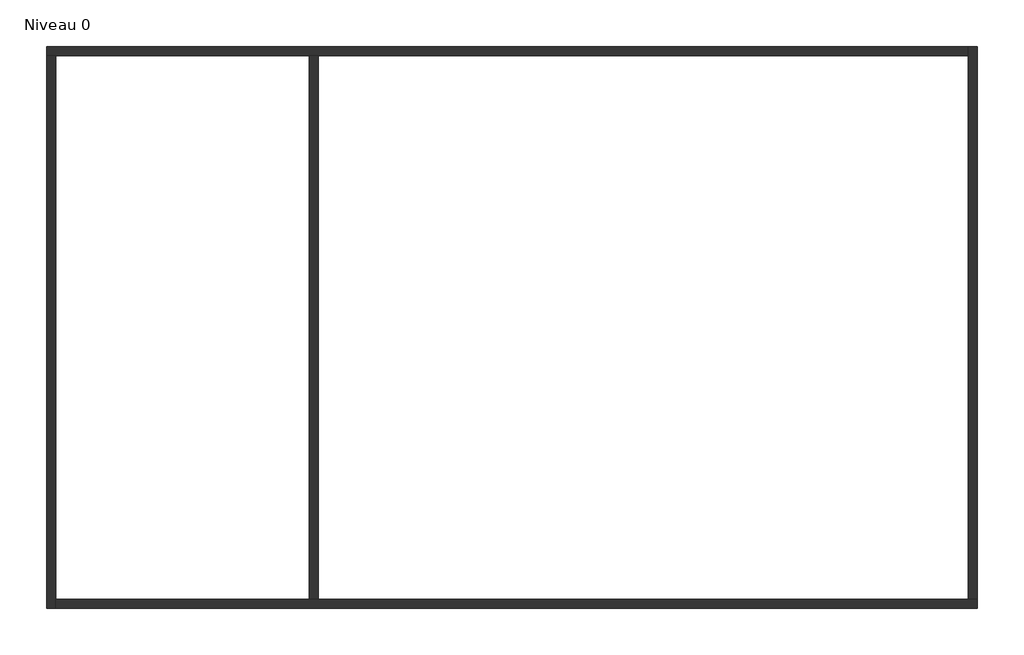
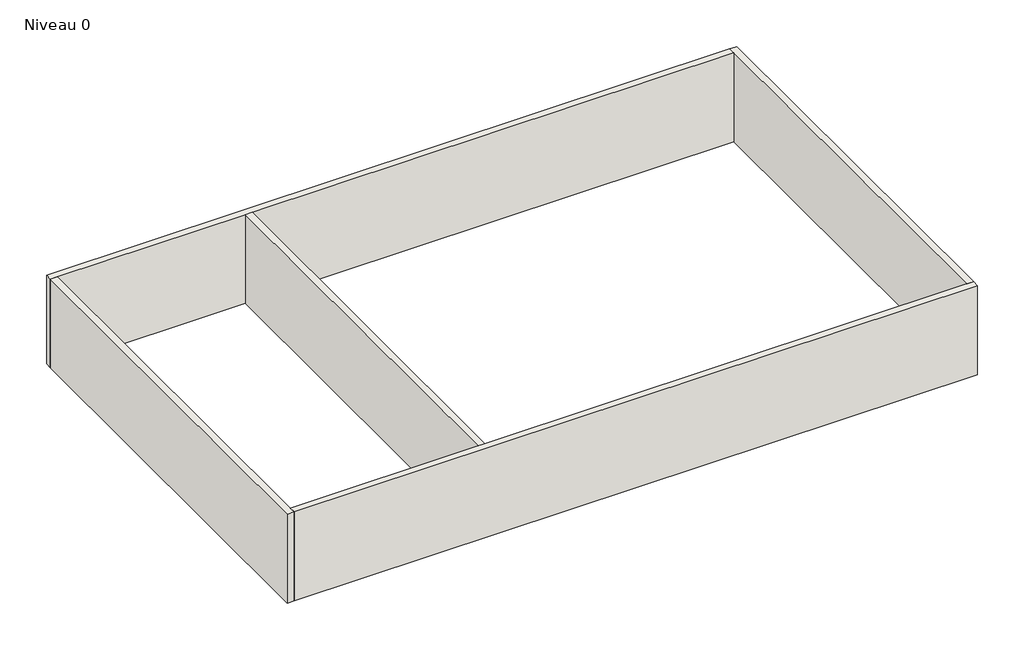
# One storey: 5 walls.
"""IFC4 building model written with IfcOpenShell, lengths in millimetres."""

from ifc_helpers import new_model, si_unit, origin, origin_with_axes, place, context, project, spatial, polyline, outline, extrude, faceted_brep, element, save

model = new_model("IFC4")

# Units and contexts
model_context = context("Model", 3, world=origin())
ifc_project = project(units=[si_unit("LENGTHUNIT", "METRE", prefix="MILLI")], contexts=[model_context])

# Site, building, storey
site = spatial("IfcSite", under=ifc_project)
building = spatial("IfcBuilding", under=site)
storey = spatial("IfcBuildingStorey", under=building, Name="Niveau 0", Elevation=0.0)

# Walls
placement = place(None, origin())
element("IfcWall", 1, at=placement, inside=storey, context=model_context, shape_type="Brep", body=[
    faceted_brep([(-6391.8986024, 10732.1073427, 0.0), (-6191.8986024, 10732.1073427, 0.0), (-691.8986024, 10732.1073427, 0.0), (-491.8986024, 10732.1073427, 0.0), (13608.1013976, 10732.1073427, 0.0), (13608.1013976, 10732.1073427, 2750.0), (-491.8986024, 10732.1073427, 2750.0), (-691.8986024, 10732.1073427, 2750.0), (-6191.8986024, 10732.1073427, 2750.0), (-6391.8986024, 10732.1073427, 2750.0), (-6391.8986024, 10932.1073427, 0.0), (-6391.8986024, 10932.1073427, 2750.0), (13608.1013976, 10932.1073427, 2750.0), (13608.1013976, 10932.1073427, 0.0)], [[[0, 1, 2, 3, 4, 5, 6, 7, 8, 9]], [[10, 11, 12, 13]], [[4, 3, 2, 1, 0, 10, 13]], [[9, 8, 7, 6, 5, 12, 11]], [[0, 9, 11, 10]], [[5, 4, 13, 12]]]),
])
element("IfcWall", 2, at=placement, inside=storey, context=model_context, shape_type="Brep", body=[
    faceted_brep([(-6191.8986024, -1267.8926573, 0.0), (-6191.8986024, -1067.8926573, 0.0), (-6191.8986024, 10732.1073427, 0.0), (-6191.8986024, 10732.1073427, 2750.0), (-6191.8986024, -1067.8926573, 2750.0), (-6191.8986024, -1267.8926573, 2750.0), (-6391.8986024, -1267.8926573, 0.0), (-6391.8986024, -1267.8926573, 2750.0), (-6391.8986024, 10732.1073427, 2750.0), (-6391.8986024, 10732.1073427, 0.0)], [[[0, 1, 2, 3, 4, 5]], [[6, 7, 8, 9]], [[2, 1, 0, 6, 9]], [[5, 4, 3, 8, 7]], [[0, 5, 7, 6]], [[3, 2, 9, 8]]]),
])
element("IfcWall", 3, at=placement, inside=storey, context=model_context, shape_type="Brep", body=[
    faceted_brep([(13808.1013976, -1067.8926573, 0.0), (13608.1013976, -1067.8926573, 0.0), (-491.8986024, -1067.8926573, 0.0), (-691.8986024, -1067.8926573, 0.0), (-6191.8986024, -1067.8926573, 0.0), (-6191.8986024, -1067.8926573, 2750.0), (-691.8986024, -1067.8926573, 2750.0), (-491.8986024, -1067.8926573, 2750.0), (13608.1013976, -1067.8926573, 2750.0), (13808.1013976, -1067.8926573, 2750.0), (13808.1013976, -1267.8926573, 0.0), (13808.1013976, -1267.8926573, 2750.0), (-6191.8986024, -1267.8926573, 2750.0), (-6191.8986024, -1267.8926573, 0.0)], [[[0, 1, 2, 3, 4, 5, 6, 7, 8, 9]], [[10, 11, 12, 13]], [[4, 3, 2, 1, 0, 10, 13]], [[9, 8, 7, 6, 5, 12, 11]], [[0, 9, 11, 10]], [[5, 4, 13, 12]]]),
])
element("IfcWall", 4, at=placement, inside=storey, context=model_context, shape_type="Brep", body=[
    faceted_brep([(13608.1013976, 10932.1073427, 0.0), (13608.1013976, 10732.1073427, 0.0), (13608.1013976, -1067.8926573, 0.0), (13608.1013976, -1067.8926573, 2750.0), (13608.1013976, 10732.1073427, 2750.0), (13608.1013976, 10932.1073427, 2750.0), (13808.1013976, 10932.1073427, 0.0), (13808.1013976, 10932.1073427, 2750.0), (13808.1013976, -1067.8926573, 2750.0), (13808.1013976, -1067.8926573, 0.0)], [[[0, 1, 2, 3, 4, 5]], [[6, 7, 8, 9]], [[2, 1, 0, 6, 9]], [[5, 4, 3, 8, 7]], [[3, 2, 9, 8]], [[0, 5, 7, 6]]]),
])
element("IfcWall", 5, at=placement, inside=storey, context=model_context, shape_type="SweptSolid", body=[
    extrude(outline(polyline([(-691.8986024, -1067.8926573), (-691.8986024, 10732.1073427), (-491.8986024, 10732.1073427), (-491.8986024, -1067.8926573), (-691.8986024, -1067.8926573)])), origin_with_axes(), (0.0, 0.0, 1.0), 2750.0),
])

save(model, "model.ifc")
